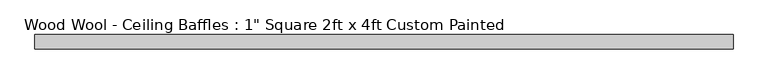
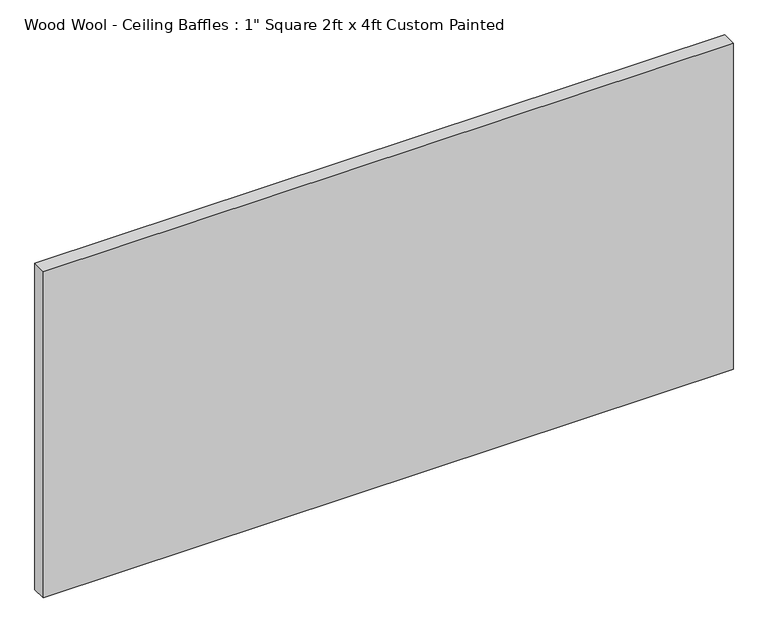
"""IFC4 building model written with IfcOpenShell, lengths in millimetres: proxy geometry."""

from ifc_helpers import new_model, si_unit, origin, origin_with_axes, place, context, project, spatial, polyline, outline, extrude, source, transform, mapped, element, save


def proxy_e6cd1cce(model_context):
    return source(origin(), model_context, "Body", "SweptSolid", [
        extrude(outline(polyline([(609.6, -25.4), (-609.6, -25.4), (-609.6, 0.0), (609.6, 0.0), (609.6, -25.4)])), origin_with_axes(), (0.0, 0.0, 1.0), 609.6),
    ])


if __name__ == "__main__":
    model = new_model("IFC4")
    model_context = context("Model", 3, world=origin())
    ifc_project = project(units=[si_unit("LENGTHUNIT", "METRE", prefix="MILLI")], contexts=[model_context])
    site = spatial("IfcSite", under=ifc_project)
    building = spatial("IfcBuilding", under=site)
    placement = place(None, origin())
    proxy_shape = proxy_e6cd1cce(model_context)
    element("IfcBuildingElementProxy", 1, Name="Wood Wool - Ceiling Baffles : 1\" Square 2ft x 4ft Custom Painted", ObjectType="Wood Wool - Ceiling Baffles : 1\" Square 2ft x 4ft Custom Painted", at=placement, inside=building, context=model_context, shape_type="MappedRepresentation", body=[
        mapped(proxy_shape, transform((0.0, 0.0, 0.0), x_axis=(1.0, 0.0, 0.0), y_axis=(0.0, 1.0, 0.0), z_axis=(0.0, 0.0, 1.0))),
    ])
    save(model, "model.ifc")
